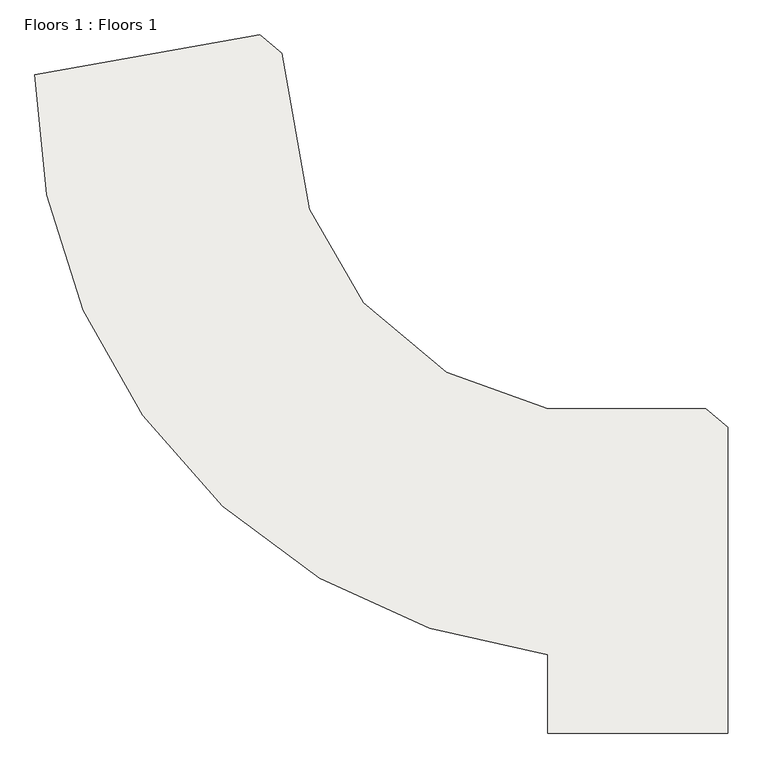
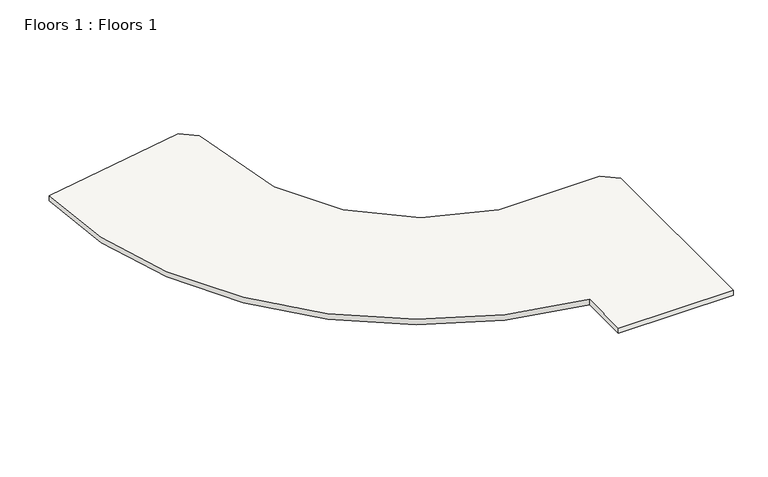
"""IFC4 building model written with IfcOpenShell, lengths in millimetres: slab geometry, Floors 1 : Floors 1."""

from ifc_helpers import new_model, si_unit, point, frame, frame_2d, origin, place, context, project, spatial, polyline, circle_curve, trimmed, segment, composite_curve, outline, extrude, source, transform, mapped, element, save


def floors_1_floors_1_73b5702d(model_context):
    return source(origin(), model_context, "Body", "SweptSolid", [
        extrude(outline(composite_curve([segment(polyline([(-1046.6600127, 1953.6372154), (-433.824458, 1439.4071275), (327.998653, -2881.1064316), (1827.9986524, -5479.1826428), (4126.1319819, -7407.5454719), (6945.2098441, -8433.6059026), (11332.37429, -8433.6059026), (11945.2098443, -8947.8359906), (11945.2098443, -17433.6059016), (6945.2098441, -17433.6059017), (6945.2099892, -15262.3522845)]), True, "CONTINUOUS"), segment(trimmed(circle_curve(frame_2d((8808.3752756, 731.103983)), 16101.6157036), [point((6945.2099892, -15262.3522845))], [point((-7292.784477, 852.2769475))], False, "CARTESIAN"), True, "CONTINUOUS"), segment(polyline([(-7292.784477, 852.2769475), (-1046.6600127, 1953.6372154)]), True, "CONTINUOUS")], self_intersect=False)), frame((0.0, 0.0, 800.0), z_axis=(0.0, 0.0, 1.0), x_axis=(1.0, 0.0, 0.0)), (0.0, 0.0, 1.0), 250.0),
    ])


if __name__ == "__main__":
    model = new_model("IFC4")
    model_context = context("Model", 3, world=origin())
    ifc_project = project(units=[si_unit("LENGTHUNIT", "METRE", prefix="MILLI")], contexts=[model_context])
    site = spatial("IfcSite", under=ifc_project)
    building = spatial("IfcBuilding", under=site)
    placement = place(None, origin())
    floors_1_floors_1_shape = floors_1_floors_1_73b5702d(model_context)
    element("IfcSlab", 1, ObjectType="Floors 1 : Floors 1", at=placement, inside=building, context=model_context, shape_type="MappedRepresentation", body=[
        mapped(floors_1_floors_1_shape, transform((0.0, 0.0, 0.0), x_axis=(1.0, 0.0, 0.0), y_axis=(0.0, 1.0, 0.0), z_axis=(0.0, 0.0, 1.0))),
    ])
    save(model, "model.ifc")
